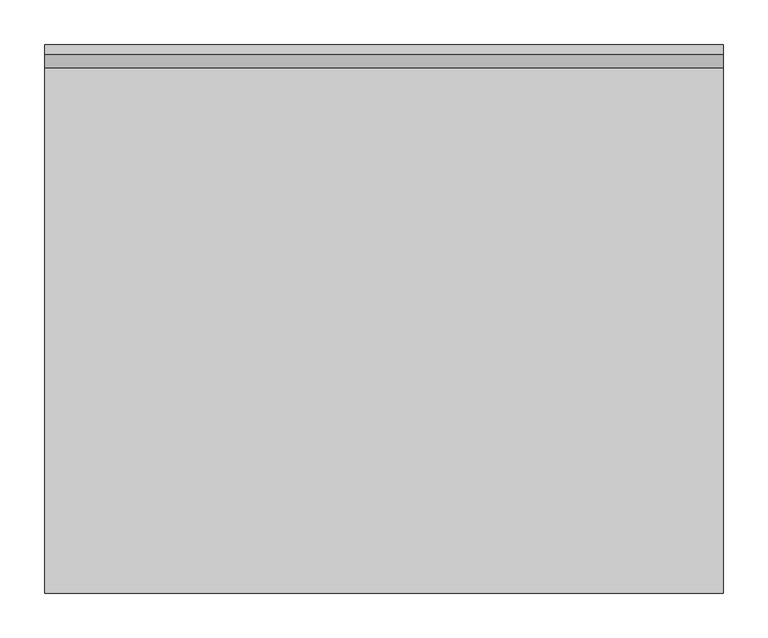
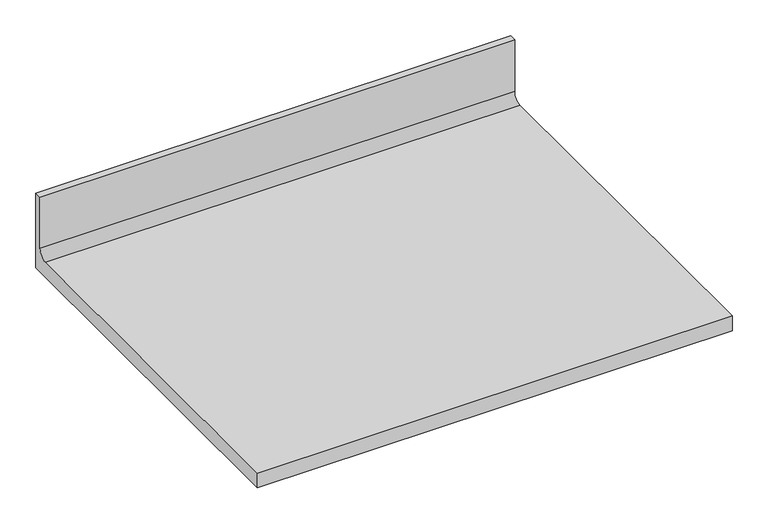
"""IFC4 building model written with IfcOpenShell, lengths in millimetres: furniture geometry."""

from ifc_helpers import new_model, si_unit, point, frame, frame_2d, origin, place, context, project, spatial, polyline, circle_curve, trimmed, segment, composite_curve, outline, extrude, source, transform, mapped, element, save


def furniture_47dab6ee(model_context):
    return source(origin(), model_context, "Body", "SweptSolid", [
        extrude(outline(composite_curve([segment(polyline([(0.0, 787.4), (-615.95, 787.4), (-615.95, 812.8), (-25.8191, 812.8)]), True, "CONTINUOUS"), segment(trimmed(circle_curve(frame_2d((-25.8191, 827.5066)), 14.7066), [point((-25.8191, 812.8))], [point((-11.1125, 827.5066))], True, "CARTESIAN"), True, "CONTINUOUS"), segment(polyline([(-11.1125, 827.5066), (-11.1125, 914.4), (0.0, 914.4), (0.0, 787.4)]), True, "CONTINUOUS")], self_intersect=False)), frame((0.0, 0.0, 0.0), z_axis=(1.0, 0.0, 0.0), x_axis=(0.0, 1.0, 0.0)), (0.0, 0.0, 1.0), 762.0),
    ])


if __name__ == "__main__":
    model = new_model("IFC4")
    model_context = context("Model", 3, world=origin())
    ifc_project = project(units=[si_unit("LENGTHUNIT", "METRE", prefix="MILLI")], contexts=[model_context])
    site = spatial("IfcSite", under=ifc_project)
    building = spatial("IfcBuilding", under=site)
    placement = place(None, origin())
    furniture_shape = furniture_47dab6ee(model_context)
    element("IfcFurniture", 1, at=placement, inside=building, context=model_context, shape_type="MappedRepresentation", body=[
        mapped(furniture_shape, transform((0.0, 0.0, 0.0), x_axis=(1.0, 0.0, 0.0), y_axis=(0.0, 1.0, 0.0), z_axis=(0.0, 0.0, 1.0))),
    ])
    save(model, "model.ifc")
